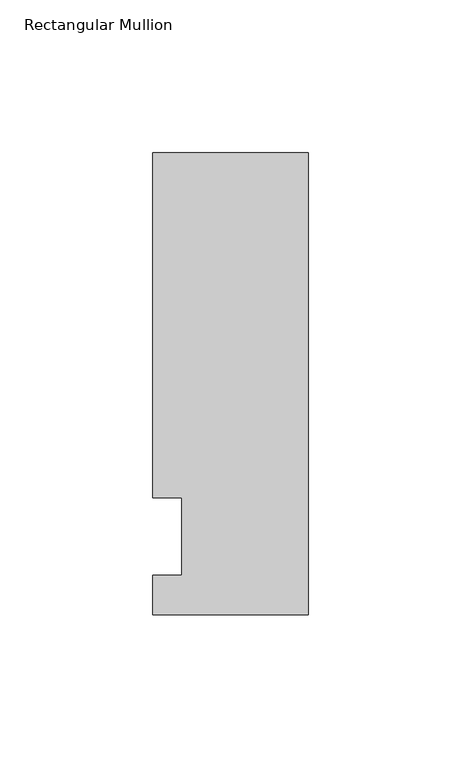
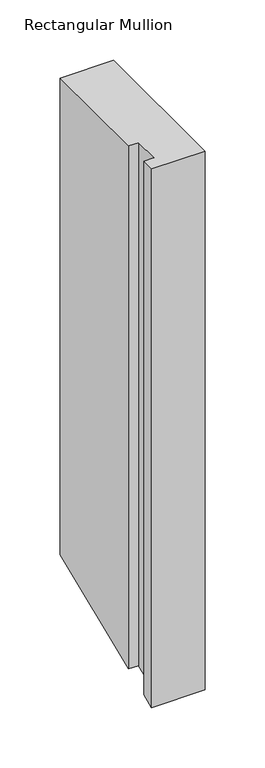
"""IFC4 building model written with IfcOpenShell, lengths in millimetres: member geometry, Rectangular Mullion."""

import ifcopenshell
import ifcopenshell.guid

model = None  # the IFC model being written
_history = None  # IfcOwnerHistory: only IFC2X3 demands one
_inside = {}  # id of a spatial element -> (the spatial element, [elements in it])
_under = {}  # id of a project, library or spatial element -> (it, [spatial elements below it])
_declared = {}  # id of a project -> (the project, [libraries it declares])
_typed = {}  # id of a type object -> (the type object, [elements of that type])
_made_of = {}  # id of a material, layer set ... -> (it, [elements and type objects made of it])


def new_model(schema):
    """Start an empty IFC model of exactly this schema.

    Asked for "IFC4X3", IfcOpenShell would pick the latest addendum, in which some entities
    have other attributes; the version numbers below select the first issue.
    IFC2X3 requires an IfcOwnerHistory on every rooted entity: one is made here for all.
    """
    global model, _history
    if schema == "IFC4X3":
        model = ifcopenshell.file(schema_version=(4, 3, 0, 0))
    else:
        model = ifcopenshell.file(schema=schema)
    _inside.clear()
    _under.clear()
    _declared.clear()
    _typed.clear()
    _made_of.clear()
    _history = None
    if model.schema == "IFC2X3":
        org = make("IfcOrganization", Name="unknown")
        user = make(
            "IfcPersonAndOrganization",
            ThePerson=make("IfcPerson", FamilyName="unknown"),
            TheOrganization=org,
        )
        app = make(
            "IfcApplication",
            ApplicationDeveloper=org,
            Version="unknown",
            ApplicationFullName="unknown",
            ApplicationIdentifier="unknown",
        )
        _history = make(
            "IfcOwnerHistory",
            OwningUser=user,
            OwningApplication=app,
            ChangeAction="ADDED",
            CreationDate=0,
        )
    return model


def make(cls, **values):
    """One entity of the class cls with the attributes given. An attribute that is None is left unset."""
    return model.create_entity(
        cls, **{name: value for name, value in values.items() if value is not None}
    )


def rooted(cls, **values):
    """An entity with a GlobalId (a new one), such as an element, a storey or a relation."""
    return make(cls, GlobalId=ifcopenshell.guid.new(), OwnerHistory=_history, **values)


def si_unit(unit_type, name, prefix=None):
    """IfcSIUnit, for example si_unit("LENGTHUNIT", "METRE", prefix="MILLI")."""
    return make("IfcSIUnit", UnitType=unit_type, Prefix=prefix, Name=name)


def assignment(units):
    """IfcUnitAssignment: the units of a project."""
    return None if units is None else make("IfcUnitAssignment", Units=units)


def point(xyz):
    """IfcCartesianPoint."""
    return None if xyz is None else make("IfcCartesianPoint", Coordinates=xyz)


def direction(xyz):
    """IfcDirection."""
    return None if xyz is None else make("IfcDirection", DirectionRatios=xyz)


def frame(location, z_axis=None, x_axis=None):
    """IfcAxis2Placement3D, a coordinate frame: its origin and axes. An axis left out is left unset."""
    return make(
        "IfcAxis2Placement3D",
        Location=point(location),
        Axis=direction(z_axis),
        RefDirection=direction(x_axis),
    )


def origin():
    """The frame at (0, 0, 0) with its axes left unset."""
    return frame((0.0, 0.0, 0.0))


def place(relative_to, where):
    """IfcLocalPlacement: puts the frame where relative to a parent placement (None: the world)."""
    return make(
        "IfcLocalPlacement", PlacementRelTo=relative_to, RelativePlacement=where
    )


def context(
    kind, dimensions, precision=None, world=None, true_north=None, identifier=None
):
    """IfcGeometricRepresentationContext, for example the 3D "Model" context."""
    return make(
        "IfcGeometricRepresentationContext",
        ContextIdentifier=identifier,
        ContextType=kind,
        CoordinateSpaceDimension=dimensions,
        Precision=precision,
        WorldCoordinateSystem=world,
        TrueNorth=true_north,
    )


def project(units=None, contexts=None):
    """IfcProject with its units and contexts."""
    return rooted(
        "IfcProject",
        Name="project",
        RepresentationContexts=contexts,
        UnitsInContext=assignment(units),
    )


def spatial(cls, under=None, at=None, **own):
    """A site, building, storey or space (cls), placed at a placement, below another one or the project."""
    s = rooted(cls, ObjectPlacement=at, **own)
    if under is not None:
        _under.setdefault(under.id(), (under, []))[1].append(s)
    return s


def faces_of(points, faces, orient=None, outer=None):
    """IfcFace entities. A face is a list of loops; a loop is a list of indices into points, from 0.

    orient and outer hold one flag for each loop. By default every Orientation is true, the
    first loop of a face is its IfcFaceOuterBound and the others are IfcFaceBound.
    """
    made = []
    for i, loops in enumerate(faces):
        bounds = []
        for j, loop in enumerate(loops):
            is_outer = j == 0 if outer is None else outer[i][j]
            bounds.append(
                make(
                    "IfcFaceOuterBound" if is_outer else "IfcFaceBound",
                    Bound=make("IfcPolyLoop", Polygon=[points[k] for k in loop]),
                    Orientation=True if orient is None else orient[i][j],
                )
            )
        made.append(make("IfcFace", Bounds=bounds))
    return made


def faceted_brep(points, faces, orient=None, outer=None, voids=None):
    """IfcFacetedBrep: a solid bounded by flat faces; with voids (closed shells), ...WithVoids."""
    shared = [point(p) for p in points]
    hull = make("IfcClosedShell", CfsFaces=faces_of(shared, faces, orient, outer))
    if voids is None:
        return make("IfcFacetedBrep", Outer=hull)
    return make(
        "IfcFacetedBrepWithVoids",
        Outer=hull,
        Voids=[
            make(cls, CfsFaces=faces_of(shared, fs, o, b)) for cls, fs, o, b in voids
        ],
    )


def shape(context_of_items, identifier, shape_type, items):
    """IfcShapeRepresentation: the items that make up one representation, for example the "Body"."""
    return make(
        "IfcShapeRepresentation",
        ContextOfItems=context_of_items,
        RepresentationIdentifier=identifier,
        RepresentationType=shape_type,
        Items=items,
    )


def source(mapping_origin, context_of_items, identifier, shape_type, items):
    """IfcRepresentationMap: a shape defined once, which mapped items show again and again."""
    return make(
        "IfcRepresentationMap",
        MappingOrigin=mapping_origin,
        MappedRepresentation=shape(context_of_items, identifier, shape_type, items),
    )


def transform(
    local_origin,
    x_axis=None,
    y_axis=None,
    z_axis=None,
    scale=None,
    scale2=None,
    scale3=None,
    uniform=True,
):
    """IfcCartesianTransformationOperator3D, or its non-uniform kind. x_axis, y_axis, z_axis: its Axis1, 2, 3."""
    if uniform:
        return make(
            "IfcCartesianTransformationOperator3D",
            Axis1=direction(x_axis),
            Axis2=direction(y_axis),
            LocalOrigin=point(local_origin),
            Scale=scale,
            Axis3=direction(z_axis),
        )
    return make(
        "IfcCartesianTransformationOperator3DnonUniform",
        Axis1=direction(x_axis),
        Axis2=direction(y_axis),
        LocalOrigin=point(local_origin),
        Scale=scale,
        Axis3=direction(z_axis),
        Scale2=scale2,
        Scale3=scale3,
    )


def mapped(mapping_source, mapping_target):
    """IfcMappedItem: shows the shape of a source again, moved by a transform."""
    return make(
        "IfcMappedItem", MappingSource=mapping_source, MappingTarget=mapping_target
    )


def made_of(thing, what):
    """Note that an element or type object is made of a material, layer set ...; save() writes the relation."""
    if what is not None:
        _made_of.setdefault(what.id(), (what, []))[1].append(thing)
    return thing


def element(
    cls,
    number,
    at=None,
    inside=None,
    cuts=None,
    type_object=None,
    material=None,
    context=None,
    identifier="Body",
    shape_type=None,
    held_by="IfcProductDefinitionShape",
    body=None,
    shapes=None,
    **own,
):
    """One element of the class cls, such as IfcWall. Its Tag is "e" and its number.

    at: its placement. inside: the storey or other place that contains it. cuts: it is an
    opening in that element (IfcRelVoidsElement). A single representation is given by context,
    identifier, shape_type and body (its items); several are given by shapes. held_by: the class
    of the entity that holds the representations. save() writes the other relations.
    """
    e = rooted(cls, Tag="e%d" % number, ObjectPlacement=at, **own)
    if body is not None:
        shapes = [shape(context, identifier, shape_type, body)]
    if shapes is not None:
        e.Representation = make(held_by, Representations=shapes)
    if inside is not None:
        _inside.setdefault(inside.id(), (inside, []))[1].append(e)
    if cuts is not None:
        rooted(
            "IfcRelVoidsElement", RelatingBuildingElement=cuts, RelatedOpeningElement=e
        )
    if type_object is not None:
        _typed.setdefault(type_object.id(), (type_object, []))[1].append(e)
    return made_of(e, material)


def aggregate(whole, parts):
    """IfcRelAggregates: a whole, such as a stair, and the parts it consists of."""
    return rooted("IfcRelAggregates", RelatingObject=whole, RelatedObjects=parts)


def save(model, path):
    """Write the relations noted so far, then the file.

    IfcRelAggregates (storeys below a building ...), IfcRelContainedInSpatialStructure (elements
    in a storey), IfcRelDefinesByType, IfcRelAssociatesMaterial and IfcRelDeclares: one each for
    every whole, place, type object, material and project.
    """
    for whole, parts in _under.values():
        aggregate(whole, parts)
    for where, things in _inside.values():
        rooted(
            "IfcRelContainedInSpatialStructure",
            RelatedElements=things,
            RelatingStructure=where,
        )
    for kind, things in _typed.values():
        rooted("IfcRelDefinesByType", RelatedObjects=things, RelatingType=kind)
    for what, things in _made_of.values():
        rooted("IfcRelAssociatesMaterial", RelatedObjects=things, RelatingMaterial=what)
    for by, libraries in _declared.values():
        rooted("IfcRelDeclares", RelatingContext=by, RelatedDefinitions=libraries)
    model.write(path)


def rectangular_mullion_8861ae17(model_context):
    return source(origin(), model_context, "Body", "Brep", [
        faceted_brep([(-50.8, -25.5984375, 0.0), (0.0, -25.5984375, 0.0), (0.0, 125.6109375, 0.0), (-50.8, 125.6109375, 0.0), (-50.8, 12.7, 0.0), (-41.275, 12.7, 0.0), (-41.275, -12.7, 0.0), (-50.8, -12.7, 0.0), (-50.8, -25.5984375, -544.00322), (0.0, -25.5984375, -544.00322), (0.0, 125.6109375, -481.3702461), (-50.8, 125.6109375, -481.3702461), (-50.8, 12.7, -528.1394878), (-41.275, 12.7, -528.1394878), (-41.275, -12.7, -538.6605122), (-50.8, -12.7, -538.6605122)], [[[0, 1, 2, 3, 4, 5, 6, 7]], [[1, 0, 8, 9]], [[2, 1, 9, 10]], [[3, 2, 10, 11]], [[4, 3, 11, 12]], [[5, 4, 12, 13]], [[6, 5, 13, 14]], [[7, 6, 14, 15]], [[0, 7, 15, 8]], [[8, 15, 14, 13, 12, 11, 10, 9]]]),
    ])


if __name__ == "__main__":
    model = new_model("IFC4")
    model_context = context("Model", 3, world=origin())
    ifc_project = project(units=[si_unit("LENGTHUNIT", "METRE", prefix="MILLI")], contexts=[model_context])
    site = spatial("IfcSite", under=ifc_project)
    building = spatial("IfcBuilding", under=site)
    placement = place(None, origin())
    rectangular_mullion_shape = rectangular_mullion_8861ae17(model_context)
    element("IfcMember", 1, ObjectType="Rectangular Mullion", at=placement, inside=building, context=model_context, shape_type="MappedRepresentation", body=[
        mapped(rectangular_mullion_shape, transform((0.0, 0.0, 0.0), x_axis=(1.0, 0.0, 0.0), y_axis=(0.0, 1.0, 0.0), z_axis=(0.0, 0.0, 1.0))),
    ])
    save(model, "model.ifc")
